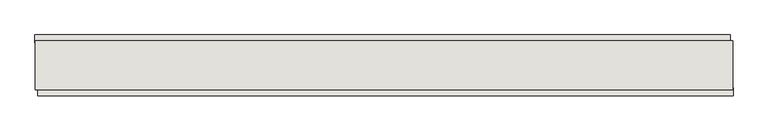
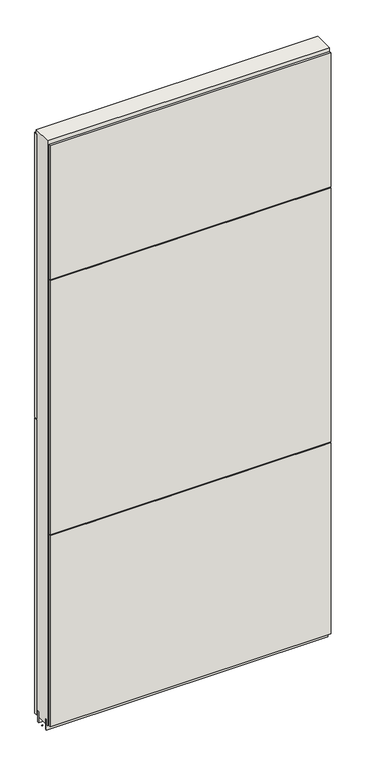
"""IFC4 building model written with IfcOpenShell, lengths in millimetres: wall geometry."""

from ifc_helpers import new_model, si_unit, frame, origin, place, context, project, spatial, polyline, outline, extrude, source, transform, mapped, element, save


def wall_660e5309(model_context):
    return source(origin(), model_context, "Body", "SweptSolid", [
        extrude(outline(polyline([(78089.855504, -42604.4245954), (78087.315504, -42604.4245954), (78087.315504, -42601.8845954), (78089.855504, -42601.8845954), (78089.855504, -42604.4245954)])), frame((0.0, 0.0, 4419.6), z_axis=(0.0, 0.0, 1.0), x_axis=(1.0, 0.0, 0.0)), (0.0, 0.0, 1.0), 2.54),
        extrude(outline(polyline([(78086.8461882, -42552.3545954), (79251.2461962, -42552.3545954), (79251.2461962, -42565.0545954), (78086.8461882, -42565.0545954), (78086.8461882, -42552.3545954)])), frame((0.0, 0.0, 5742.4000722), z_axis=(0.0, 0.0, 1.0), x_axis=(1.0, 0.0, 0.0)), (0.0, 0.0, 1.0), 1247.649905),
        extrude(outline(polyline([(78086.8461882, -42552.3545954), (79251.2461962, -42552.3545954), (79251.2461962, -42565.0545954), (78086.8461882, -42565.0545954), (78086.8461882, -42552.3545954)])), frame((0.0, 0.0, 4445.0), z_axis=(0.0, 0.0, 1.0), x_axis=(1.0, 0.0, 0.0)), (0.0, 0.0, 1.0), 1293.400004),
        extrude(outline(polyline([(79256.1823306, -42653.9545954), (78091.7823226, -42653.9545954), (78091.7823226, -42641.2545954), (79256.1823306, -42641.2545954), (79256.1823306, -42653.9545954)])), frame((0.0, 0.0, 6402.8000722), z_axis=(0.0, 0.0, 1.0), x_axis=(1.0, 0.0, 0.0)), (0.0, 0.0, 1.0), 587.2498034),
        extrude(outline(polyline([(79256.1823306, -42653.9545954), (78091.7823226, -42653.9545954), (78091.7823226, -42641.2545954), (79256.1823306, -42641.2545954), (79256.1823306, -42653.9545954)])), frame((0.0, 0.0, 5285.2000722), z_axis=(0.0, 0.0, 1.0), x_axis=(1.0, 0.0, 0.0)), (0.0, 0.0, 1.0), 1113.5999572),
        extrude(outline(polyline([(79256.1823306, -42653.9545954), (78091.7823226, -42653.9545954), (78091.7823226, -42641.2545954), (79256.1823306, -42641.2545954), (79256.1823306, -42653.9545954)])), frame((0.0, 0.0, 4445.0), z_axis=(0.0, 0.0, 1.0), x_axis=(1.0, 0.0, 0.0)), (0.0, 0.0, 1.0), 836.200004),
        extrude(outline(polyline([(79255.720457, -42578.0708508), (78087.320457, -42578.0708508), (78087.320457, -42572.9920954), (79255.720457, -42572.9920954), (79255.720457, -42578.0708508)])), frame((0.0, 0.0, 4418.6602), z_axis=(0.0, 0.0, 1.0), x_axis=(1.0, 0.0, 0.0)), (0.0, 0.0, 1.0), 47.625),
        extrude(outline(polyline([(79255.720457, -42578.0708508), (78087.320457, -42578.0708508), (78087.320457, -42572.9920954), (79255.720457, -42572.9920954), (79255.720457, -42578.0708508)])), frame((0.0, 0.0, 4418.6602), z_axis=(0.0, 0.0, 1.0), x_axis=(1.0, 0.0, 0.0)), (0.0, 0.0, 1.0), 47.625),
        extrude(outline(polyline([(78087.320457, -42628.2352412), (79255.720457, -42628.2352412), (79255.720457, -42633.3170954), (78087.320457, -42633.3170954), (78087.320457, -42628.2352412)])), frame((0.0, 0.0, 4418.6602), z_axis=(0.0, 0.0, 1.0), x_axis=(1.0, 0.0, 0.0)), (0.0, 0.0, 1.0), 47.625),
        extrude(outline(polyline([(78087.320457, -42628.2352412), (79255.720457, -42628.2352412), (79255.720457, -42633.3170954), (78087.320457, -42633.3170954), (78087.320457, -42628.2352412)])), frame((0.0, 0.0, 4418.6602), z_axis=(0.0, 0.0, 1.0), x_axis=(1.0, 0.0, 0.0)), (0.0, 0.0, 1.0), 47.625),
        extrude(outline(polyline([(79255.720457, -42562.5245014), (79255.720457, -42643.806381), (78087.320457, -42643.806381), (78087.320457, -42562.5245014), (79255.720457, -42562.5245014)])), frame((0.0, 0.0, 4445.0), z_axis=(0.0, 0.0, 1.0), x_axis=(1.0, 0.0, 0.0)), (0.0, 0.0, 1.0), 2562.4536762),
    ])


if __name__ == "__main__":
    model = new_model("IFC4")
    model_context = context("Model", 3, world=origin())
    ifc_project = project(units=[si_unit("LENGTHUNIT", "METRE", prefix="MILLI")], contexts=[model_context])
    site = spatial("IfcSite", under=ifc_project)
    building = spatial("IfcBuilding", under=site)
    placement = place(None, origin())
    wall_shape = wall_660e5309(model_context)
    element("IfcWall", 1, at=placement, inside=building, context=model_context, shape_type="MappedRepresentation", body=[
        mapped(wall_shape, transform((0.0, 0.0, 0.0), x_axis=(1.0, 0.0, 0.0), y_axis=(0.0, 1.0, 0.0), z_axis=(0.0, 0.0, 1.0))),
    ])
    save(model, "model.ifc")
